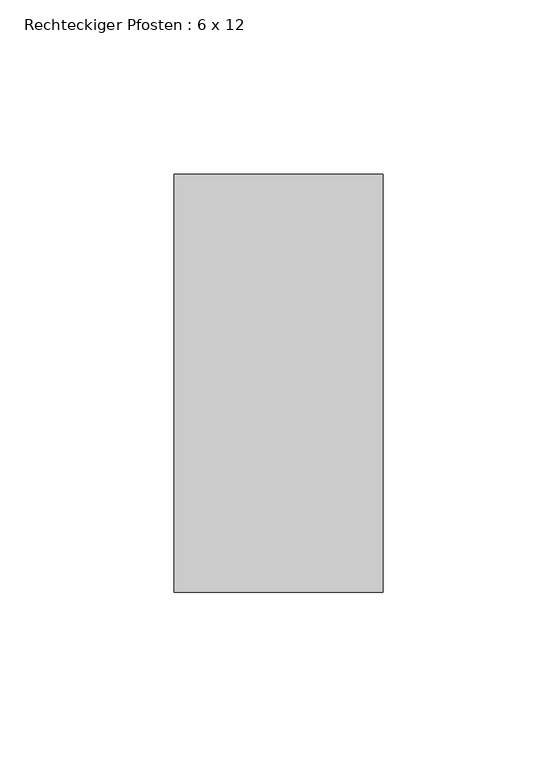
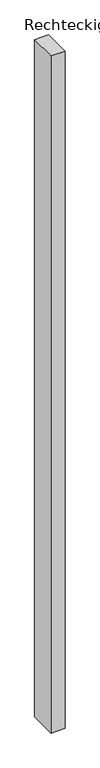
"""IFC4 building model written with IfcOpenShell, lengths in millimetres: member geometry, Rechteckiger Pfosten : 6 x 12."""

from ifc_helpers import new_model, si_unit, frame, origin, place, context, project, spatial, polyline, outline, extrude, source, transform, mapped, element, save


def rechteckiger_pfosten_6_x_12_97339e08(model_context):
    return source(origin(), model_context, "Body", "SweptSolid", [
        extrude(outline(polyline([(30.0, 60.0), (30.0, -60.0), (-30.0, -60.0), (-30.0, 60.0), (30.0, 60.0)])), frame((0.0, 0.0, -3050.0), z_axis=(0.0, 0.0, 1.0), x_axis=(1.0, 0.0, 0.0)), (0.0, 0.0, 1.0), 3050.0),
    ])


if __name__ == "__main__":
    model = new_model("IFC4")
    model_context = context("Model", 3, world=origin())
    ifc_project = project(units=[si_unit("LENGTHUNIT", "METRE", prefix="MILLI")], contexts=[model_context])
    site = spatial("IfcSite", under=ifc_project)
    building = spatial("IfcBuilding", under=site)
    placement = place(None, origin())
    rechteckiger_pfosten_6_x_12_shape = rechteckiger_pfosten_6_x_12_97339e08(model_context)
    element("IfcMember", 1, ObjectType="Rechteckiger Pfosten : 6 x 12", at=placement, inside=building, context=model_context, shape_type="MappedRepresentation", body=[
        mapped(rechteckiger_pfosten_6_x_12_shape, transform((0.0, 0.0, 0.0), x_axis=(1.0, 0.0, 0.0), y_axis=(0.0, 1.0, 0.0), z_axis=(0.0, 0.0, 1.0))),
    ])
    save(model, "model.ifc")
